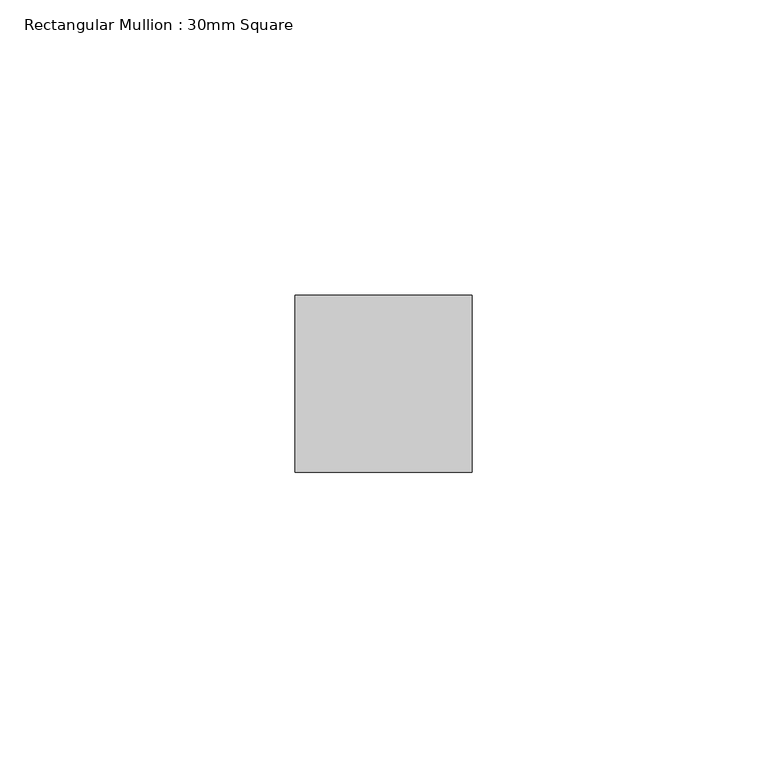
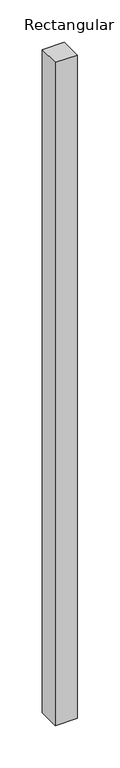
"""IFC4 building model written with IfcOpenShell, lengths in millimetres: member geometry, Rectangular Mullion : 30mm Square."""

from ifc_helpers import new_model, si_unit, frame, origin, place, context, project, spatial, polyline, outline, extrude, source, transform, mapped, element, save


def rectangular_mullion_30mm_square_0cb5213b(model_context):
    return source(origin(), model_context, "Body", "SweptSolid", [
        extrude(outline(polyline([(15.0, 15.0), (15.0, -15.0), (-15.0, -15.0), (-15.0, 15.0), (15.0, 15.0)])), frame((0.0, 0.0, -954.0188131), z_axis=(0.0, 0.0, 1.0), x_axis=(1.0, 0.0, 0.0)), (0.0, 0.0, 1.0), 954.0188131),
    ])


if __name__ == "__main__":
    model = new_model("IFC4")
    model_context = context("Model", 3, world=origin())
    ifc_project = project(units=[si_unit("LENGTHUNIT", "METRE", prefix="MILLI")], contexts=[model_context])
    site = spatial("IfcSite", under=ifc_project)
    building = spatial("IfcBuilding", under=site)
    placement = place(None, origin())
    rectangular_mullion_30mm_square_shape = rectangular_mullion_30mm_square_0cb5213b(model_context)
    element("IfcMember", 1, ObjectType="Rectangular Mullion : 30mm Square", at=placement, inside=building, context=model_context, shape_type="MappedRepresentation", body=[
        mapped(rectangular_mullion_30mm_square_shape, transform((0.0, 0.0, 0.0), x_axis=(1.0, 0.0, 0.0), y_axis=(0.0, 1.0, 0.0), z_axis=(0.0, 0.0, 1.0))),
    ])
    save(model, "model.ifc")
